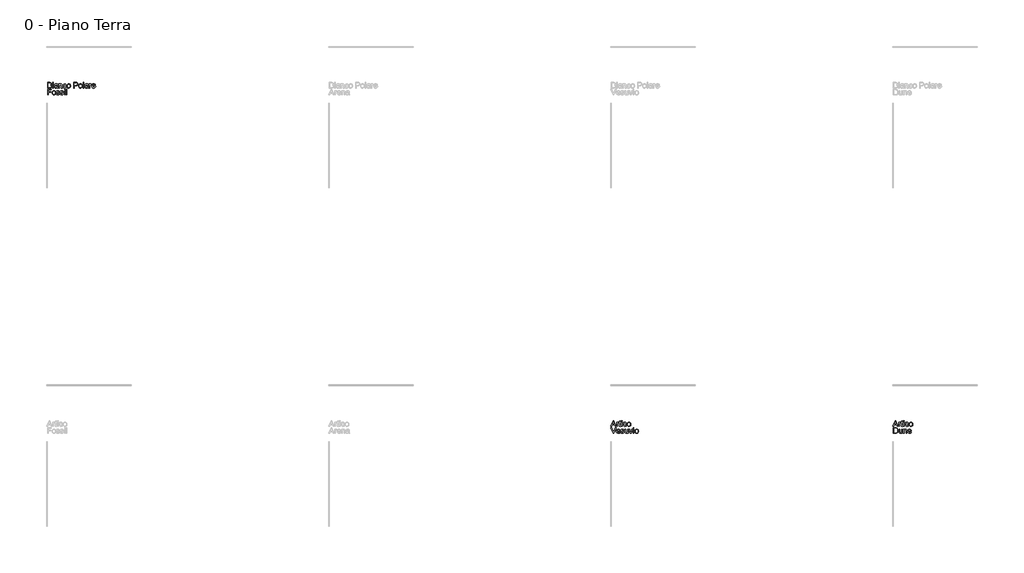
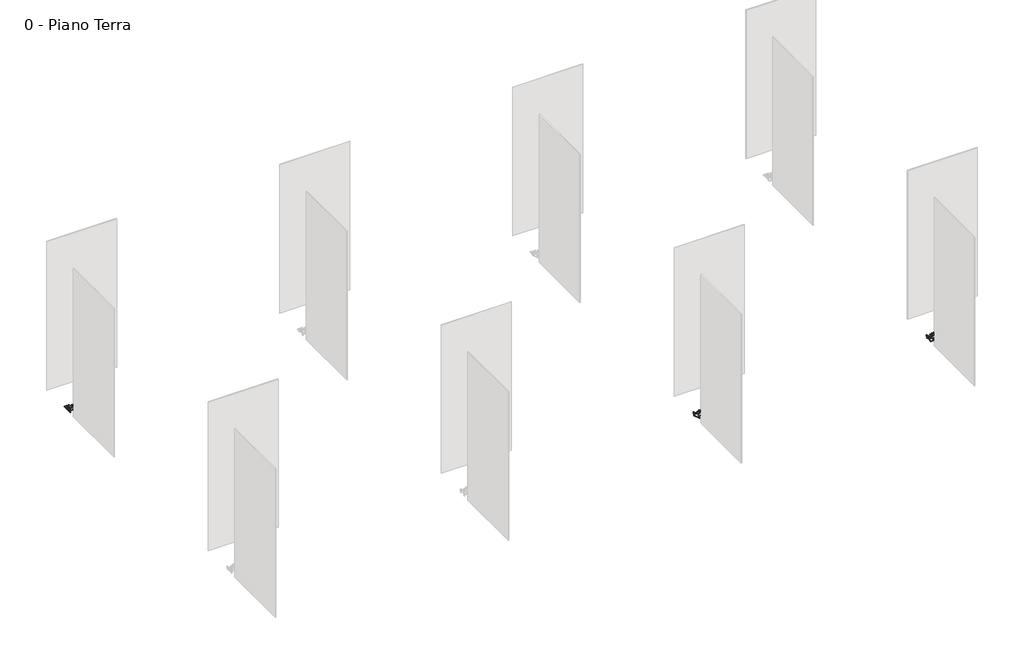
# One storey, part 13 of 35: 3 proxies.
"""IFC4 building model written with IfcOpenShell, lengths in millimetres."""

from ifc_helpers import new_model, si_unit, origin, origin_with_axes, place, context, project, spatial, polyline, outline, extrude, element, save

model = new_model("IFC4")

# Units and contexts
model_context = context("Model", 3, world=origin())
ifc_project = project(units=[si_unit("LENGTHUNIT", "METRE", prefix="MILLI")], contexts=[model_context])

# Site, building, storey
site = spatial("IfcSite", under=ifc_project)
building = spatial("IfcBuilding", under=site)
storey = spatial("IfcBuildingStorey", under=building, Name="0 - Piano Terra", Elevation=0.0)

# Proxies
placement = place(None, origin())
element("IfcBuildingElementProxy", 1, Name="Testo modello 1", ObjectType="Testo modello 1", at=placement, inside=storey, context=model_context, shape_type="SweptSolid", body=[
    extrude(outline(polyline([(-17268.2707509, -12273.7592352), (-17268.2707509, -12173.302925), (-17229.937447, -12173.302925), (-17211.1632025, -12176.2582437), (-17200.0776918, -12185.344929), (-17196.067778, -12198.1962733), (-17199.4400296, -12209.931709), (-17209.6303609, -12218.8221905), (-17197.2572631, -12228.1909187), (-17192.9285183, -12243.8136407), (-17195.883837, -12257.31491), (-17203.2046887, -12266.9288928), (-17214.130784, -12272.0301898), (-17230.2317526, -12273.7592352), (-17268.2707509, -12273.7592352)]), holes=[polyline([(-17255.7137122, -12214.113301), (-17232.7824011, -12214.113301), (-17219.3914965, -12213.0341805), (-17211.3348808, -12208.3866046), (-17208.6248168, -12200.2073616), (-17211.1509398, -12192.0158558), (-17218.3859524, -12187.1720762), (-17234.5237092, -12185.8599638), (-17255.7137122, -12185.8599638), (-17255.7137122, -12214.113301)]), polyline([(-17255.7137122, -12261.2021964), (-17229.9619725, -12261.2021964), (-17220.6422953, -12260.7116871), (-17212.7573579, -12257.9770976), (-17207.5334335, -12252.397554), (-17205.4855571, -12243.9362681), (-17207.8890528, -12234.1751325), (-17215.6758883, -12228.3503342), (-17231.1882458, -12226.6703398), (-17255.7137122, -12226.6703398), (-17255.7137122, -12261.2021964)])]), origin_with_axes(), (0.0, 0.0, 1.0), 10.0),
    extrude(outline(polyline([(-17177.2322199, -12185.8599638), (-17177.2322199, -12173.302925), (-17164.6751811, -12173.302925), (-17164.6751811, -12185.8599638), (-17177.2322199, -12185.8599638)])), origin_with_axes(), (0.0, 0.0, 1.0), 10.0),
    extrude(outline(polyline([(-17177.2322199, -12273.7592352), (-17177.2322199, -12199.9866324), (-17164.6751811, -12199.9866324), (-17164.6751811, -12273.7592352), (-17177.2322199, -12273.7592352)])), origin_with_axes(), (0.0, 0.0, 1.0), 10.0),
    extrude(outline(polyline([(-17098.7507275, -12264.3414561), (-17110.9276216, -12272.8517929), (-17124.3798399, -12275.328865), (-17134.8736738, -12273.8389429), (-17142.6145241, -12269.3691767), (-17147.387793, -12262.5817539), (-17148.9788826, -12254.1388621), (-17146.5753869, -12244.2060482), (-17140.2600793, -12236.9955611), (-17131.4676997, -12232.8752828), (-17120.6029181, -12230.9868218), (-17098.8243039, -12226.6703398), (-17098.7507275, -12223.8744366), (-17102.2088183, -12214.6038103), (-17116.0902323, -12210.9740413), (-17128.7944238, -12213.3897997), (-17134.852214, -12221.9614502), (-17147.4092528, -12220.3918204), (-17141.976862, -12208.1290872), (-17131.038504, -12200.9431256), (-17114.4715515, -12198.4170025), (-17099.2534996, -12200.64882), (-17090.6573237, -12206.252889), (-17086.8068254, -12214.7754886), (-17086.1936888, -12225.7628975), (-17086.1936888, -12241.3856196), (-17085.5560267, -12263.2010219), (-17083.0544291, -12273.7592352), (-17095.6114679, -12273.7592352), (-17098.7507275, -12264.3414561)]), holes=[polyline([(-17098.7507275, -12239.2273785), (-17119.0087627, -12243.0778768), (-17129.8122307, -12245.1134905), (-17134.7050612, -12248.4244284), (-17136.4218439, -12253.2559453), (-17132.6817102, -12260.0494995), (-17121.706564, -12262.7718262), (-17109.0023725, -12259.7674566), (-17100.8108667, -12252.4956558), (-17098.8243039, -12242.7835712), (-17098.7507275, -12239.2273785)])]), origin_with_axes(), (0.0, 0.0, 1.0), 10.0),
    extrude(outline(polyline([(-17068.9277605, -12273.7592352), (-17068.9277605, -12199.9866324), (-17056.3707217, -12199.9866324), (-17056.3707217, -12210.2873283), (-17046.7690016, -12201.384584), (-17033.6601399, -12198.4170025), (-17021.8020769, -12200.8082355), (-17013.708673, -12207.0867549), (-17009.9440139, -12216.320593), (-17009.2818263, -12228.4606988), (-17009.2818263, -12273.7592352), (-17021.8388651, -12273.7592352), (-17021.8388651, -12230.152956), (-17023.2858676, -12219.0429197), (-17028.3994273, -12213.1690705), (-17037.0201288, -12210.9740413), (-17050.6440253, -12215.90366), (-17054.9390476, -12223.0467021), (-17056.3707217, -12234.6165909), (-17056.3707217, -12273.7592352), (-17068.9277605, -12273.7592352)])), origin_with_axes(), (0.0, 0.0, 1.0), 10.0),
    extrude(outline(polyline([(-16944.9270026, -12247.0755278), (-16932.3699639, -12248.6451576), (-16935.8709742, -12259.8134419), (-16942.4499305, -12268.253268), (-16951.4875649, -12273.5599657), (-16962.3646092, -12275.328865), (-16975.7217913, -12272.8609899), (-16986.1665743, -12265.4573648), (-16992.9080119, -12253.442952), (-16995.1551577, -12237.1427139), (-16991.3169222, -12216.2838048), (-16979.6182748, -12202.8806374), (-16962.5362875, -12198.4170025), (-16951.9259576, -12199.9498442), (-16943.4432119, -12204.5483691), (-16937.3578306, -12211.9673227), (-16933.9395937, -12221.9614502), (-16946.4966325, -12223.5310801), (-16952.3214307, -12214.1255637), (-16962.4381856, -12210.9740413), (-16970.5530493, -12212.5252771), (-16976.9940499, -12217.1789843), (-16981.1971017, -12225.1865491), (-16982.5981189, -12236.7993574), (-16981.2277585, -12248.5685155), (-16977.1166772, -12256.6036714), (-16970.7921726, -12261.2297875), (-16962.7815421, -12262.7718262), (-16950.9480046, -12258.921328), (-16944.9270026, -12247.0755278)])), origin_with_axes(), (0.0, 0.0, 1.0), 10.0),
    extrude(outline(polyline([(-16924.5218146, -12236.8729338), (-16921.8056192, -12219.0858393), (-16913.657033, -12206.5839828), (-16903.5893291, -12200.4587476), (-16891.5350624, -12198.4170025), (-16878.3434272, -12200.9032717), (-16867.8066737, -12208.3620791), (-16860.8996892, -12220.2048137), (-16858.5973611, -12235.8428642), (-16862.6685885, -12258.185564), (-16874.5266515, -12270.8284419), (-16891.5350624, -12275.328865), (-16904.8861131, -12272.8517929), (-16915.4106039, -12265.4205766), (-16922.2440119, -12253.3295217), (-16924.5218146, -12236.8729338)]), holes=[polyline([(-16911.9647759, -12236.8484083), (-16910.511642, -12248.2128963), (-16906.1522403, -12256.3093658), (-16899.5916781, -12261.1562111), (-16891.5350624, -12262.7718262), (-16883.5152349, -12261.1470141), (-16876.9669354, -12256.2725776), (-16872.6075337, -12248.0688092), (-16871.1543999, -12236.4560008), (-16872.6167308, -12225.4226067), (-16877.0037236, -12217.4365017), (-16883.5612202, -12212.5896564), (-16891.5350624, -12210.9740413), (-16899.5916781, -12212.583525), (-16906.1522403, -12217.4119762), (-16910.511642, -12225.4900517), (-16911.9647759, -12236.8484083)])]), origin_with_axes(), (0.0, 0.0, 1.0), 10.0),
    extrude(outline(polyline([(-16803.6603165, -12273.7592352), (-16803.6603165, -12173.302925), (-16766.4306586, -12173.302925), (-16751.4210732, -12174.2594182), (-16739.2196537, -12178.956045), (-16731.3101908, -12188.6681297), (-16728.3180839, -12202.3656026), (-16730.3383692, -12214.2052715), (-16736.399225, -12224.0706403), (-16747.7330562, -12230.7293044), (-16765.5722672, -12232.9488592), (-16791.1032777, -12232.9488592), (-16791.1032777, -12273.7592352), (-16803.6603165, -12273.7592352)]), holes=[polyline([(-16791.1032777, -12220.3918204), (-16764.8365033, -12220.3918204), (-16746.3443016, -12215.7810327), (-16742.2424174, -12210.232146), (-16740.8751226, -12202.807061), (-16744.1002215, -12192.4082633), (-16752.5737701, -12186.7183551), (-16765.1308089, -12185.8599638), (-16791.1032777, -12185.8599638), (-16791.1032777, -12220.3918204)])]), origin_with_axes(), (0.0, 0.0, 1.0), 10.0),
    extrude(outline(polyline([(-16715.7610451, -12236.8729338), (-16713.0448497, -12219.0858393), (-16704.8962635, -12206.5839828), (-16694.8285596, -12200.4587476), (-16682.7742929, -12198.4170025), (-16669.5826577, -12200.9032717), (-16659.0459042, -12208.3620791), (-16652.1389197, -12220.2048137), (-16649.8365916, -12235.8428642), (-16653.907819, -12258.185564), (-16665.765882, -12270.8284419), (-16682.7742929, -12275.328865), (-16696.1253436, -12272.8517929), (-16706.6498344, -12265.4205766), (-16713.4832424, -12253.3295217), (-16715.7610451, -12236.8729338)]), holes=[polyline([(-16703.2040063, -12236.8484083), (-16701.7508725, -12248.2128963), (-16697.3914708, -12256.3093658), (-16690.8309086, -12261.1562111), (-16682.7742929, -12262.7718262), (-16674.7544654, -12261.1470141), (-16668.2061659, -12256.2725776), (-16663.8467642, -12248.0688092), (-16662.3936303, -12236.4560008), (-16663.8559613, -12225.4226067), (-16668.2429541, -12217.4365017), (-16674.8004506, -12212.5896564), (-16682.7742929, -12210.9740413), (-16690.8309086, -12212.583525), (-16697.3914708, -12217.4119762), (-16701.7508725, -12225.4900517), (-16703.2040063, -12236.8484083)])]), origin_with_axes(), (0.0, 0.0, 1.0), 10.0),
    extrude(outline(polyline([(-16635.709923, -12273.7592352), (-16635.709923, -12173.302925), (-16623.1528842, -12173.302925), (-16623.1528842, -12273.7592352), (-16635.709923, -12273.7592352)])), origin_with_axes(), (0.0, 0.0, 1.0), 10.0),
    extrude(outline(polyline([(-16557.2284306, -12264.3414561), (-16569.4053247, -12272.8517929), (-16582.857543, -12275.328865), (-16593.3513769, -12273.8389429), (-16601.0922272, -12269.3691767), (-16605.8654961, -12262.5817539), (-16607.4565857, -12254.1388621), (-16605.05309, -12244.2060482), (-16598.7377824, -12236.9955611), (-16589.9454028, -12232.8752828), (-16579.0806212, -12230.9868218), (-16557.302007, -12226.6703398), (-16557.2284306, -12223.8744366), (-16560.6865214, -12214.6038103), (-16574.5679354, -12210.9740413), (-16587.2721269, -12213.3897997), (-16593.3299171, -12221.9614502), (-16605.8869559, -12220.3918204), (-16600.4545651, -12208.1290872), (-16589.5162071, -12200.9431256), (-16572.9492546, -12198.4170025), (-16557.7312027, -12200.64882), (-16549.1350268, -12206.252889), (-16545.2845285, -12214.7754886), (-16544.6713919, -12225.7628975), (-16544.6713919, -12241.3856196), (-16544.0337298, -12263.2010219), (-16541.5321322, -12273.7592352), (-16554.089171, -12273.7592352), (-16557.2284306, -12264.3414561)]), holes=[polyline([(-16557.2284306, -12239.2273785), (-16577.4864658, -12243.0778768), (-16588.2899338, -12245.1134905), (-16593.1827643, -12248.4244284), (-16594.899547, -12253.2559453), (-16591.1594133, -12260.0494995), (-16580.1842671, -12262.7718262), (-16567.4800756, -12259.7674566), (-16559.2885698, -12252.4956558), (-16557.302007, -12242.7835712), (-16557.2284306, -12239.2273785)])]), origin_with_axes(), (0.0, 0.0, 1.0), 10.0),
    extrude(outline(polyline([(-16527.4054636, -12273.7592352), (-16527.4054636, -12199.9866324), (-16516.4180546, -12199.9866324), (-16516.4180546, -12210.9004649), (-16508.6189564, -12200.8450237), (-16500.7708071, -12198.4170025), (-16488.1647174, -12202.2920262), (-16492.3585722, -12213.5492153), (-16501.18774, -12210.9740413), (-16508.2878626, -12213.4511134), (-16512.8128111, -12220.318244), (-16514.8484248, -12234.9844729), (-16514.8484248, -12273.7592352), (-16527.4054636, -12273.7592352)])), origin_with_axes(), (0.0, 0.0, 1.0), 10.0),
    extrude(outline(polyline([(-16428.6659361, -12251.7844173), (-16416.354152, -12253.3540472), (-16420.7901957, -12262.6308048), (-16427.8688584, -12269.5653804), (-16437.4307246, -12273.8879938), (-16449.3163787, -12275.328865), (-16464.0500526, -12272.8425958), (-16475.3869495, -12265.3837884), (-16482.6158307, -12253.4368206), (-16485.0254577, -12237.4860704), (-16482.5913052, -12220.9988257), (-16475.2888476, -12208.6686475), (-16464.1052349, -12200.9799138), (-16450.0276173, -12198.4170025), (-16436.3883923, -12200.9737824), (-16425.4898882, -12208.644122), (-16418.3437804, -12220.9497747), (-16415.9617445, -12237.412494), (-16416.0353209, -12240.7970084), (-16472.468419, -12240.7970084), (-16470.2948495, -12250.1963934), (-16465.2456691, -12257.1064435), (-16457.9585399, -12261.3554805), (-16449.0711241, -12262.7718262), (-16436.75934, -12260.1476013), (-16428.6659361, -12251.7844173)]), holes=[polyline([(-16472.468419, -12228.2399696), (-16428.5187833, -12228.2399696), (-16433.5465039, -12216.8601532), (-16440.8673556, -12212.4455693), (-16450.0766682, -12210.9740413), (-16465.5399747, -12215.6706681), (-16470.4052141, -12221.1613069), (-16472.468419, -12228.2399696)])]), origin_with_axes(), (0.0, 0.0, 1.0), 10.0),
    extrude(outline(polyline([(-17268.2707509, -12395.734053), (-17268.2707509, -12295.2777428), (-17200.7766675, -12295.2777428), (-17200.7766675, -12307.8347816), (-17255.7137122, -12307.8347816), (-17255.7137122, -12337.6577487), (-17208.6248168, -12337.6577487), (-17208.6248168, -12350.2147875), (-17255.7137122, -12350.2147875), (-17255.7137122, -12395.734053), (-17268.2707509, -12395.734053)])), origin_with_axes(), (0.0, 0.0, 1.0), 10.0),
    extrude(outline(polyline([(-17188.2196288, -12358.8477516), (-17185.5034334, -12341.0606571), (-17177.3548472, -12328.5588007), (-17167.2871432, -12322.4335655), (-17155.2328765, -12320.3918204), (-17142.0412413, -12322.8780895), (-17131.5044879, -12330.336897), (-17124.5975034, -12342.1796315), (-17122.2951752, -12357.817682), (-17126.3664027, -12380.1603819), (-17138.2244656, -12392.8032598), (-17155.2328765, -12397.3036828), (-17168.5839273, -12394.8266107), (-17179.108418, -12387.3953944), (-17185.9418261, -12375.3043395), (-17188.2196288, -12358.8477516)]), holes=[polyline([(-17175.66259, -12358.8232261), (-17174.2094561, -12370.1877141), (-17169.8500545, -12378.2841837), (-17163.2894922, -12383.131029), (-17155.2328765, -12384.7466441), (-17147.213049, -12383.1218319), (-17140.6647495, -12378.2473955), (-17136.3053479, -12370.043627), (-17134.852214, -12358.4308187), (-17136.3145449, -12347.3974245), (-17140.7015377, -12339.4113195), (-17147.2590343, -12334.5644742), (-17155.2328765, -12332.9488592), (-17163.2894922, -12334.5583429), (-17169.8500545, -12339.3867941), (-17174.2094561, -12347.4648695), (-17175.66259, -12358.8232261)])]), origin_with_axes(), (0.0, 0.0, 1.0), 10.0),
    extrude(outline(polyline([(-17112.8773962, -12373.7592352), (-17100.3203574, -12372.1896053), (-17094.5078219, -12381.5092825), (-17081.1904936, -12384.7466441), (-17068.3882002, -12381.7790626), (-17064.2188709, -12374.8138302), (-17068.4127257, -12369.1729729), (-17081.3376464, -12365.5922549), (-17100.246781, -12359.4486255), (-17108.4996004, -12352.2749266), (-17111.3077663, -12342.145909), (-17109.0514234, -12332.7894436), (-17102.8955314, -12325.6402702), (-17094.9124921, -12321.924662), (-17084.1090241, -12320.3918204), (-17068.8296586, -12322.8566298), (-17059.1175739, -12329.5275566), (-17054.8010919, -12340.7970084), (-17067.3581306, -12342.3666382), (-17072.0792829, -12335.438194), (-17083.1280055, -12332.9488592), (-17095.145484, -12335.3278294), (-17098.7507275, -12340.8705848), (-17097.2546741, -12344.5248793), (-17092.57031, -12347.296257), (-17081.7545794, -12349.9695328), (-17063.3236914, -12355.8801702), (-17054.7643037, -12362.5756225), (-17051.6618322, -12373.489455), (-17055.3038639, -12385.5069335), (-17065.8130262, -12394.2257368), (-17081.3621719, -12397.3036828), (-17094.0234439, -12395.8198921), (-17103.2634134, -12391.36852), (-17109.4315681, -12383.9986174), (-17112.8773962, -12373.7592352)])), origin_with_axes(), (0.0, 0.0, 1.0), 10.0),
    extrude(outline(polyline([(-17042.2440531, -12373.7592352), (-17029.6870143, -12372.1896053), (-17023.8744788, -12381.5092825), (-17010.5571506, -12384.7466441), (-16997.7548571, -12381.7790626), (-16993.5855279, -12374.8138302), (-16997.7793826, -12369.1729729), (-17010.7043034, -12365.5922549), (-17029.6134379, -12359.4486255), (-17037.8662573, -12352.2749266), (-17040.6744232, -12342.145909), (-17038.4180803, -12332.7894436), (-17032.2621883, -12325.6402702), (-17024.279149, -12321.924662), (-17013.4756811, -12320.3918204), (-16998.1963155, -12322.8566298), (-16988.4842309, -12329.5275566), (-16984.1677488, -12340.7970084), (-16996.7247876, -12342.3666382), (-17001.4459398, -12335.438194), (-17012.4946624, -12332.9488592), (-17024.5121409, -12335.3278294), (-17028.1173845, -12340.8705848), (-17026.621331, -12344.5248793), (-17021.936967, -12347.296257), (-17011.1212363, -12349.9695328), (-16992.6903483, -12355.8801702), (-16984.1309606, -12362.5756225), (-16981.0284891, -12373.489455), (-16984.6705208, -12385.5069335), (-16995.1796832, -12394.2257368), (-17010.7288288, -12397.3036828), (-17023.3901008, -12395.8198921), (-17032.6300703, -12391.36852), (-17038.7982251, -12383.9986174), (-17042.2440531, -12373.7592352)])), origin_with_axes(), (0.0, 0.0, 1.0), 10.0),
    extrude(outline(polyline([(-16966.9018205, -12307.8347816), (-16966.9018205, -12295.2777428), (-16954.3447817, -12295.2777428), (-16954.3447817, -12307.8347816), (-16966.9018205, -12307.8347816)])), origin_with_axes(), (0.0, 0.0, 1.0), 10.0),
    extrude(outline(polyline([(-16966.9018205, -12395.734053), (-16966.9018205, -12321.9614502), (-16954.3447817, -12321.9614502), (-16954.3447817, -12395.734053), (-16966.9018205, -12395.734053)])), origin_with_axes(), (0.0, 0.0, 1.0), 10.0),
    extrude(outline(polyline([(-16935.5092236, -12395.734053), (-16935.5092236, -12295.2777428), (-16922.9521848, -12295.2777428), (-16922.9521848, -12395.734053), (-16935.5092236, -12395.734053)])), origin_with_axes(), (0.0, 0.0, 1.0), 10.0),
])
element("IfcBuildingElementProxy", 2, Name="Testo modello 1", ObjectType="Testo modello 1", at=placement, inside=storey, context=model_context, shape_type="SweptSolid", body=[
    extrude(outline(polyline([(-2279.9693984, -18273.7592352), (-2239.8702609, -18173.302925), (-2229.1771576, -18173.302925), (-2189.0780201, -18273.7592352), (-2202.3462974, -18273.7592352), (-2213.8487411, -18242.3666382), (-2255.2232028, -18242.3666382), (-2266.7011211, -18273.7592352), (-2279.9693984, -18273.7592352)]), holes=[polyline([(-2250.6124152, -18229.8095995), (-2218.4350033, -18229.8095995), (-2227.4849004, -18205.1124549), (-2234.5237092, -18185.8599638), (-2240.7777032, -18202.9542138), (-2250.6124152, -18229.8095995)])]), origin_with_axes(), (0.0, 0.0, 1.0), 10.0),
    extrude(outline(polyline([(-2177.2322199, -18273.7592352), (-2177.2322199, -18199.9866324), (-2166.2448109, -18199.9866324), (-2166.2448109, -18210.9004649), (-2158.4457126, -18200.8450237), (-2150.5975634, -18198.4170025), (-2137.9914737, -18202.2920262), (-2142.1853284, -18213.5492153), (-2151.0144963, -18210.9740413), (-2158.1146188, -18213.4511134), (-2162.6395674, -18220.318244), (-2164.6751811, -18234.9844729), (-2164.6751811, -18273.7592352), (-2177.2322199, -18273.7592352)])), origin_with_axes(), (0.0, 0.0, 1.0), 10.0),
    extrude(outline(polyline([(-2103.4596171, -18263.286861), (-2101.8899872, -18274.1271171), (-2111.2832408, -18275.328865), (-2121.8046659, -18273.2442004), (-2127.0531157, -18267.7750214), (-2128.5736946, -18253.5257254), (-2128.5736946, -18212.5436712), (-2137.9914737, -18212.5436712), (-2137.9914737, -18199.9866324), (-2128.5736946, -18199.9866324), (-2128.5736946, -18182.0585165), (-2116.0166559, -18174.6763511), (-2116.0166559, -18199.9866324), (-2103.4596171, -18199.9866324), (-2103.4596171, -18212.5436712), (-2116.0166559, -18212.5436712), (-2116.0166559, -18253.1578434), (-2115.3544683, -18259.6325665), (-2113.20849, -18261.9256976), (-2108.9287961, -18262.7718262), (-2103.4596171, -18263.286861)])), origin_with_axes(), (0.0, 0.0, 1.0), 10.0),
    extrude(outline(polyline([(-2090.9025783, -18185.8599638), (-2090.9025783, -18173.302925), (-2078.3455395, -18173.302925), (-2078.3455395, -18185.8599638), (-2090.9025783, -18185.8599638)])), origin_with_axes(), (0.0, 0.0, 1.0), 10.0),
    extrude(outline(polyline([(-2090.9025783, -18273.7592352), (-2090.9025783, -18199.9866324), (-2078.3455395, -18199.9866324), (-2078.3455395, -18273.7592352), (-2090.9025783, -18273.7592352)])), origin_with_axes(), (0.0, 0.0, 1.0), 10.0),
    extrude(outline(polyline([(-2012.421086, -18247.0755278), (-1999.8640472, -18248.6451576), (-2003.3650576, -18259.8134419), (-2009.9440139, -18268.253268), (-2018.9816483, -18273.5599657), (-2029.8586926, -18275.328865), (-2043.2158747, -18272.8609899), (-2053.6606577, -18265.4573648), (-2060.4020952, -18253.442952), (-2062.6492411, -18237.1427139), (-2058.8110056, -18216.2838048), (-2047.1123582, -18202.8806374), (-2030.0303708, -18198.4170025), (-2019.420041, -18199.9498442), (-2010.9372953, -18204.5483691), (-2004.851914, -18211.9673227), (-2001.4336771, -18221.9614502), (-2013.9907159, -18223.5310801), (-2019.8155141, -18214.1255637), (-2029.932269, -18210.9740413), (-2038.0471327, -18212.5252771), (-2044.4881333, -18217.1789843), (-2048.6911851, -18225.1865491), (-2050.0922023, -18236.7993574), (-2048.7218419, -18248.5685155), (-2044.6107606, -18256.6036714), (-2038.286256, -18261.2297875), (-2030.2756255, -18262.7718262), (-2018.442088, -18258.921328), (-2012.421086, -18247.0755278)])), origin_with_axes(), (0.0, 0.0, 1.0), 10.0),
    extrude(outline(polyline([(-1992.015898, -18236.8729338), (-1989.2997026, -18219.0858393), (-1981.1511164, -18206.5839828), (-1971.0834125, -18200.4587476), (-1959.0291458, -18198.4170025), (-1945.8375106, -18200.9032717), (-1935.3007571, -18208.3620791), (-1928.3937726, -18220.2048137), (-1926.0914445, -18235.8428642), (-1930.1626719, -18258.185564), (-1942.0207349, -18270.8284419), (-1959.0291458, -18275.328865), (-1972.3801965, -18272.8517929), (-1982.9046873, -18265.4205766), (-1989.7380953, -18253.3295217), (-1992.015898, -18236.8729338)]), holes=[polyline([(-1979.4588592, -18236.8484083), (-1978.0057254, -18248.2128963), (-1973.6463237, -18256.3093658), (-1967.0857615, -18261.1562111), (-1959.0291458, -18262.7718262), (-1951.0093183, -18261.1470141), (-1944.4610188, -18256.2725776), (-1940.1016171, -18248.0688092), (-1938.6484832, -18236.4560008), (-1940.1108142, -18225.4226067), (-1944.497807, -18217.4365017), (-1951.0553035, -18212.5896564), (-1959.0291458, -18210.9740413), (-1967.0857615, -18212.583525), (-1973.6463237, -18217.4119762), (-1978.0057254, -18225.4900517), (-1979.4588592, -18236.8484083)])]), origin_with_axes(), (0.0, 0.0, 1.0), 10.0),
    extrude(outline(polyline([(-2268.2707509, -18395.734053), (-2268.2707509, -18295.2777428), (-2233.616267, -18295.2777428), (-2215.6881511, -18296.7247454), (-2200.9238203, -18303.910707), (-2189.0289692, -18321.0785334), (-2185.0803691, -18344.9663377), (-2187.7536449, -18365.2366356), (-2194.6207755, -18379.8660763), (-2203.7932999, -18388.977287), (-2215.7985157, -18394.0172704), (-2231.9485353, -18395.734053), (-2268.2707509, -18395.734053)]), holes=[polyline([(-2255.7137122, -18383.1770142), (-2233.4936396, -18383.1770142), (-2217.3313573, -18381.3621297), (-2208.0116801, -18376.2363073), (-2200.3719973, -18363.7651076), (-2197.6374079, -18344.7701339), (-2198.9771114, -18331.0849237), (-2202.9962222, -18320.9804316), (-2216.0315076, -18309.8458699), (-2233.8369962, -18307.8347816), (-2255.7137122, -18307.8347816), (-2255.7137122, -18383.1770142)])]), origin_with_axes(), (0.0, 0.0, 1.0), 10.0),
    extrude(outline(polyline([(-2122.2951752, -18395.734053), (-2122.2951752, -18383.0543869), (-2132.1298872, -18393.7413589), (-2144.9567061, -18397.3036828), (-2156.7657182, -18394.8020853), (-2164.908173, -18388.5235659), (-2168.6483066, -18379.2774651), (-2169.3840706, -18367.6033431), (-2169.3840706, -18321.9614502), (-2156.8270319, -18321.9614502), (-2156.8270319, -18361.6927057), (-2156.0667424, -18374.4949991), (-2151.1003355, -18382.0120546), (-2141.74387, -18384.7466441), (-2131.2592332, -18381.9507409), (-2124.3307889, -18374.3355836), (-2122.2951752, -18360.3438051), (-2122.2951752, -18321.9614502), (-2109.7381365, -18321.9614502), (-2109.7381365, -18395.734053), (-2122.2951752, -18395.734053)])), origin_with_axes(), (0.0, 0.0, 1.0), 10.0),
    extrude(outline(polyline([(-2092.4722082, -18395.734053), (-2092.4722082, -18321.9614502), (-2079.9151694, -18321.9614502), (-2079.9151694, -18332.2621461), (-2070.3134493, -18323.3594018), (-2057.2045876, -18320.3918204), (-2045.3465246, -18322.7830534), (-2037.2531207, -18329.0615727), (-2033.4884616, -18338.2954108), (-2032.826274, -18350.4355167), (-2032.826274, -18395.734053), (-2045.3833128, -18395.734053), (-2045.3833128, -18352.1277738), (-2046.8303153, -18341.0177376), (-2051.943875, -18335.1438884), (-2060.5645764, -18332.9488592), (-2074.188473, -18337.8784779), (-2078.4834953, -18345.02152), (-2079.9151694, -18356.5914087), (-2079.9151694, -18395.734053), (-2092.4722082, -18395.734053)])), origin_with_axes(), (0.0, 0.0, 1.0), 10.0),
    extrude(outline(polyline([(-1963.9097136, -18373.7592352), (-1951.5979295, -18375.328865), (-1956.0339732, -18384.6056226), (-1963.1126359, -18391.5401983), (-1972.6745021, -18395.8628117), (-1984.5601562, -18397.3036828), (-1999.2938302, -18394.8174137), (-2010.630727, -18387.3586062), (-2017.8596082, -18375.4116384), (-2020.2692352, -18359.4608883), (-2017.8350827, -18342.9736435), (-2010.5326251, -18330.6434653), (-1999.3490125, -18322.9547316), (-1985.2713948, -18320.3918204), (-1971.6321698, -18322.9486003), (-1960.7336657, -18330.6189399), (-1953.5875579, -18342.9245926), (-1951.205522, -18359.3873119), (-1951.2790984, -18362.7718262), (-2007.7121965, -18362.7718262), (-2005.538627, -18372.1712112), (-2000.4894466, -18379.0812613), (-1993.2023174, -18383.3302984), (-1984.3149016, -18384.7466441), (-1972.0031175, -18382.1224192), (-1963.9097136, -18373.7592352)]), holes=[polyline([(-2007.7121965, -18350.2147875), (-1963.7625608, -18350.2147875), (-1968.7902814, -18338.8349711), (-1976.1111331, -18334.4203871), (-1985.3204457, -18332.9488592), (-2000.7837522, -18337.645486), (-2005.6489916, -18343.1361247), (-2007.7121965, -18350.2147875)])]), origin_with_axes(), (0.0, 0.0, 1.0), 10.0),
])
element("IfcBuildingElementProxy", 3, Name="Testo modello 1", ObjectType="Testo modello 1", at=placement, inside=storey, context=model_context, shape_type="SweptSolid", body=[
    extrude(outline(polyline([(-7279.9693984, -18273.7592352), (-7239.8702609, -18173.302925), (-7229.1771576, -18173.302925), (-7189.0780201, -18273.7592352), (-7202.3462974, -18273.7592352), (-7213.8487411, -18242.3666382), (-7255.2232028, -18242.3666382), (-7266.7011211, -18273.7592352), (-7279.9693984, -18273.7592352)]), holes=[polyline([(-7250.6124152, -18229.8095995), (-7218.4350033, -18229.8095995), (-7227.4849004, -18205.1124549), (-7234.5237092, -18185.8599638), (-7240.7777032, -18202.9542138), (-7250.6124152, -18229.8095995)])]), origin_with_axes(), (0.0, 0.0, 1.0), 10.0),
    extrude(outline(polyline([(-7177.2322199, -18273.7592352), (-7177.2322199, -18199.9866324), (-7166.2448109, -18199.9866324), (-7166.2448109, -18210.9004649), (-7158.4457126, -18200.8450237), (-7150.5975634, -18198.4170025), (-7137.9914737, -18202.2920262), (-7142.1853284, -18213.5492153), (-7151.0144963, -18210.9740413), (-7158.1146188, -18213.4511134), (-7162.6395674, -18220.318244), (-7164.6751811, -18234.9844729), (-7164.6751811, -18273.7592352), (-7177.2322199, -18273.7592352)])), origin_with_axes(), (0.0, 0.0, 1.0), 10.0),
    extrude(outline(polyline([(-7103.4596171, -18263.286861), (-7101.8899872, -18274.1271171), (-7111.2832408, -18275.328865), (-7121.8046659, -18273.2442004), (-7127.0531157, -18267.7750214), (-7128.5736946, -18253.5257254), (-7128.5736946, -18212.5436712), (-7137.9914737, -18212.5436712), (-7137.9914737, -18199.9866324), (-7128.5736946, -18199.9866324), (-7128.5736946, -18182.0585165), (-7116.0166559, -18174.6763511), (-7116.0166559, -18199.9866324), (-7103.4596171, -18199.9866324), (-7103.4596171, -18212.5436712), (-7116.0166559, -18212.5436712), (-7116.0166559, -18253.1578434), (-7115.3544683, -18259.6325665), (-7113.20849, -18261.9256976), (-7108.9287961, -18262.7718262), (-7103.4596171, -18263.286861)])), origin_with_axes(), (0.0, 0.0, 1.0), 10.0),
    extrude(outline(polyline([(-7090.9025783, -18185.8599638), (-7090.9025783, -18173.302925), (-7078.3455395, -18173.302925), (-7078.3455395, -18185.8599638), (-7090.9025783, -18185.8599638)])), origin_with_axes(), (0.0, 0.0, 1.0), 10.0),
    extrude(outline(polyline([(-7090.9025783, -18273.7592352), (-7090.9025783, -18199.9866324), (-7078.3455395, -18199.9866324), (-7078.3455395, -18273.7592352), (-7090.9025783, -18273.7592352)])), origin_with_axes(), (0.0, 0.0, 1.0), 10.0),
    extrude(outline(polyline([(-7012.421086, -18247.0755278), (-6999.8640472, -18248.6451576), (-7003.3650576, -18259.8134419), (-7009.9440139, -18268.253268), (-7018.9816483, -18273.5599657), (-7029.8586926, -18275.328865), (-7043.2158747, -18272.8609899), (-7053.6606577, -18265.4573648), (-7060.4020952, -18253.442952), (-7062.6492411, -18237.1427139), (-7058.8110056, -18216.2838048), (-7047.1123582, -18202.8806374), (-7030.0303708, -18198.4170025), (-7019.420041, -18199.9498442), (-7010.9372953, -18204.5483691), (-7004.851914, -18211.9673227), (-7001.4336771, -18221.9614502), (-7013.9907159, -18223.5310801), (-7019.8155141, -18214.1255637), (-7029.932269, -18210.9740413), (-7038.0471327, -18212.5252771), (-7044.4881333, -18217.1789843), (-7048.6911851, -18225.1865491), (-7050.0922023, -18236.7993574), (-7048.7218419, -18248.5685155), (-7044.6107606, -18256.6036714), (-7038.286256, -18261.2297875), (-7030.2756255, -18262.7718262), (-7018.442088, -18258.921328), (-7012.421086, -18247.0755278)])), origin_with_axes(), (0.0, 0.0, 1.0), 10.0),
    extrude(outline(polyline([(-6992.015898, -18236.8729338), (-6989.2997026, -18219.0858393), (-6981.1511164, -18206.5839828), (-6971.0834125, -18200.4587476), (-6959.0291458, -18198.4170025), (-6945.8375106, -18200.9032717), (-6935.3007571, -18208.3620791), (-6928.3937726, -18220.2048137), (-6926.0914445, -18235.8428642), (-6930.1626719, -18258.185564), (-6942.0207349, -18270.8284419), (-6959.0291458, -18275.328865), (-6972.3801965, -18272.8517929), (-6982.9046873, -18265.4205766), (-6989.7380953, -18253.3295217), (-6992.015898, -18236.8729338)]), holes=[polyline([(-6979.4588592, -18236.8484083), (-6978.0057254, -18248.2128963), (-6973.6463237, -18256.3093658), (-6967.0857615, -18261.1562111), (-6959.0291458, -18262.7718262), (-6951.0093183, -18261.1470141), (-6944.4610188, -18256.2725776), (-6940.1016171, -18248.0688092), (-6938.6484832, -18236.4560008), (-6940.1108142, -18225.4226067), (-6944.497807, -18217.4365017), (-6951.0553035, -18212.5896564), (-6959.0291458, -18210.9740413), (-6967.0857615, -18212.583525), (-6973.6463237, -18217.4119762), (-6978.0057254, -18225.4900517), (-6979.4588592, -18236.8484083)])]), origin_with_axes(), (0.0, 0.0, 1.0), 10.0),
    extrude(outline(polyline([(-7238.5949366, -18395.734053), (-7278.5714468, -18295.2777428), (-7265.1314912, -18295.2777428), (-7238.3742074, -18367.652394), (-7232.9540794, -18383.9618292), (-7227.6075277, -18367.652394), (-7200.7766675, -18295.2777428), (-7187.336712, -18295.2777428), (-7225.620965, -18395.734053), (-7238.5949366, -18395.734053)])), origin_with_axes(), (0.0, 0.0, 1.0), 10.0),
    extrude(outline(polyline([(-7125.5815877, -18373.7592352), (-7113.2698036, -18375.328865), (-7117.7058473, -18384.6056226), (-7124.7845101, -18391.5401983), (-7134.3463763, -18395.8628117), (-7146.2320304, -18397.3036828), (-7160.9657043, -18394.8174137), (-7172.3026011, -18387.3586062), (-7179.5314823, -18375.4116384), (-7181.9411094, -18359.4608883), (-7179.5069569, -18342.9736435), (-7172.2044993, -18330.6434653), (-7161.0208866, -18322.9547316), (-7146.9432689, -18320.3918204), (-7133.3040439, -18322.9486003), (-7122.4055398, -18330.6189399), (-7115.2594321, -18342.9245926), (-7112.8773962, -18359.3873119), (-7112.9509726, -18362.7718262), (-7169.3840706, -18362.7718262), (-7167.2105012, -18372.1712112), (-7162.1613208, -18379.0812613), (-7154.8741916, -18383.3302984), (-7145.9867757, -18384.7466441), (-7133.6749916, -18382.1224192), (-7125.5815877, -18373.7592352)]), holes=[polyline([(-7169.3840706, -18350.2147875), (-7125.4344349, -18350.2147875), (-7130.4621555, -18338.8349711), (-7137.7830072, -18334.4203871), (-7146.9923198, -18332.9488592), (-7162.4556264, -18337.645486), (-7167.3208658, -18343.1361247), (-7169.3840706, -18350.2147875)])]), origin_with_axes(), (0.0, 0.0, 1.0), 10.0),
    extrude(outline(polyline([(-7105.0292469, -18373.7592352), (-7092.4722082, -18372.1896053), (-7086.6596726, -18381.5092825), (-7073.3423444, -18384.7466441), (-7060.540051, -18381.7790626), (-7056.3707217, -18374.8138302), (-7060.5645764, -18369.1729729), (-7073.4894972, -18365.5922549), (-7092.3986318, -18359.4486255), (-7100.6514512, -18352.2749266), (-7103.4596171, -18342.145909), (-7101.2032742, -18332.7894436), (-7095.0473821, -18325.6402702), (-7087.0643428, -18321.924662), (-7076.2608749, -18320.3918204), (-7060.9815094, -18322.8566298), (-7051.2694247, -18329.5275566), (-7046.9529426, -18340.7970084), (-7059.5099814, -18342.3666382), (-7064.2311337, -18335.438194), (-7075.2798563, -18332.9488592), (-7087.2973348, -18335.3278294), (-7090.9025783, -18340.8705848), (-7089.4065249, -18344.5248793), (-7084.7221608, -18347.296257), (-7073.9064301, -18349.9695328), (-7055.4755422, -18355.8801702), (-7046.9161544, -18362.5756225), (-7043.8136829, -18373.489455), (-7047.4557147, -18385.5069335), (-7057.964877, -18394.2257368), (-7073.5140227, -18397.3036828), (-7086.1752947, -18395.8198921), (-7095.4152641, -18391.36852), (-7101.5834189, -18383.9986174), (-7105.0292469, -18373.7592352)])), origin_with_axes(), (0.0, 0.0, 1.0), 10.0),
    extrude(outline(polyline([(-6982.5981189, -18395.734053), (-6982.5981189, -18383.0543869), (-6992.4328309, -18393.7413589), (-7005.2596498, -18397.3036828), (-7017.0686619, -18394.8020853), (-7025.2111167, -18388.5235659), (-7028.9512503, -18379.2774651), (-7029.6870143, -18367.6033431), (-7029.6870143, -18321.9614502), (-7017.1299756, -18321.9614502), (-7017.1299756, -18361.6927057), (-7016.3696861, -18374.4949991), (-7011.4032792, -18382.0120546), (-7002.0468137, -18384.7466441), (-6991.5621769, -18381.9507409), (-6984.6337326, -18374.3355836), (-6982.5981189, -18360.3438051), (-6982.5981189, -18321.9614502), (-6970.0410802, -18321.9614502), (-6970.0410802, -18395.734053), (-6982.5981189, -18395.734053)])), origin_with_axes(), (0.0, 0.0, 1.0), 10.0),
    extrude(outline(polyline([(-6934.6753577, -18395.734053), (-6960.6233011, -18321.9614502), (-6947.3304983, -18321.9614502), (-6931.6096744, -18366.1563406), (-6926.8762594, -18381.0187732), (-6922.2409463, -18366.9902064), (-6906.4220205, -18321.9614502), (-6893.1292177, -18321.9614502), (-6918.75833, -18395.734053), (-6934.6753577, -18395.734053)])), origin_with_axes(), (0.0, 0.0, 1.0), 10.0),
    extrude(outline(polyline([(-6882.1418088, -18307.8347816), (-6882.1418088, -18295.2777428), (-6869.58477, -18295.2777428), (-6869.58477, -18307.8347816), (-6882.1418088, -18307.8347816)])), origin_with_axes(), (0.0, 0.0, 1.0), 10.0),
    extrude(outline(polyline([(-6882.1418088, -18395.734053), (-6882.1418088, -18321.9614502), (-6869.58477, -18321.9614502), (-6869.58477, -18395.734053), (-6882.1418088, -18395.734053)])), origin_with_axes(), (0.0, 0.0, 1.0), 10.0),
    extrude(outline(polyline([(-6853.8884716, -18358.8477516), (-6851.1722762, -18341.0606571), (-6843.02369, -18328.5588007), (-6832.955986, -18322.4335655), (-6820.9017193, -18320.3918204), (-6807.7100841, -18322.8780895), (-6797.1733306, -18330.336897), (-6790.2663462, -18342.1796315), (-6787.964018, -18357.817682), (-6792.0352454, -18380.1603819), (-6803.8933084, -18392.8032598), (-6820.9017193, -18397.3036828), (-6834.2527701, -18394.8266107), (-6844.7772608, -18387.3953944), (-6851.6106689, -18375.3043395), (-6853.8884716, -18358.8477516)]), holes=[polyline([(-6841.3314328, -18358.8232261), (-6839.8782989, -18370.1877141), (-6835.5188973, -18378.2841837), (-6828.958335, -18383.131029), (-6820.9017193, -18384.7466441), (-6812.8818918, -18383.1218319), (-6806.3335923, -18378.2473955), (-6801.9741907, -18370.043627), (-6800.5210568, -18358.4308187), (-6801.9833877, -18347.3974245), (-6806.3703805, -18339.4113195), (-6812.9278771, -18334.5644742), (-6820.9017193, -18332.9488592), (-6828.958335, -18334.5583429), (-6835.5188973, -18339.3867941), (-6839.8782989, -18347.4648695), (-6841.3314328, -18358.8232261)])]), origin_with_axes(), (0.0, 0.0, 1.0), 10.0),
])

save(model, "model.ifc")
